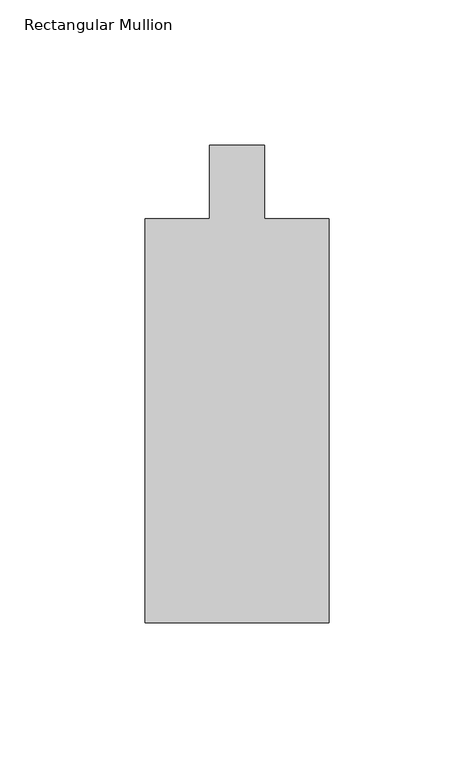
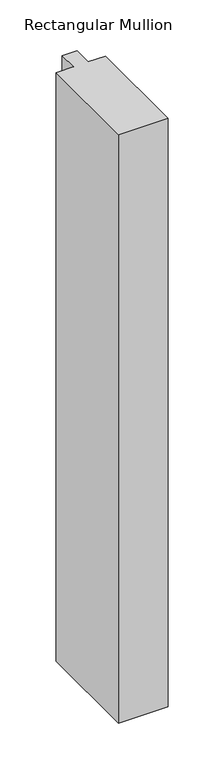
"""IFC4 building model written with IfcOpenShell, lengths in millimetres: member geometry, Rectangular Mullion."""

from ifc_helpers import new_model, si_unit, frame, origin, place, context, project, spatial, polyline, outline, extrude, source, transform, mapped, element, save


def rectangular_mullion_9e4e6da9(model_context):
    return source(origin(), model_context, "Body", "SweptSolid", [
        extrude(outline(polyline([(31.7500214, -44.4626936), (31.7500061, -183.6539676), (-31.7486016, -183.6539606), (-31.7485862, -44.4607227), (-9.524418, -44.4607252), (-9.5244152, -19.0399028), (9.5255848, -19.0399049), (9.525582, -44.4626911), (31.7500214, -44.4626936)])), frame((0.0, 0.0, -799.8618795), z_axis=(0.0, 0.0, 1.0), x_axis=(1.0, 0.0, 0.0)), (0.0, 0.0, 1.0), 799.8618795),
    ])


if __name__ == "__main__":
    model = new_model("IFC4")
    model_context = context("Model", 3, world=origin())
    ifc_project = project(units=[si_unit("LENGTHUNIT", "METRE", prefix="MILLI")], contexts=[model_context])
    site = spatial("IfcSite", under=ifc_project)
    building = spatial("IfcBuilding", under=site)
    placement = place(None, origin())
    rectangular_mullion_shape = rectangular_mullion_9e4e6da9(model_context)
    element("IfcMember", 1, ObjectType="Rectangular Mullion", at=placement, inside=building, context=model_context, shape_type="MappedRepresentation", body=[
        mapped(rectangular_mullion_shape, transform((0.0, 0.0, 0.0), x_axis=(1.0, 0.0, 0.0), y_axis=(0.0, 1.0, 0.0), z_axis=(0.0, 0.0, 1.0))),
    ])
    save(model, "model.ifc")
